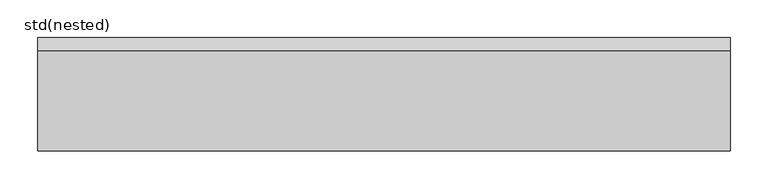
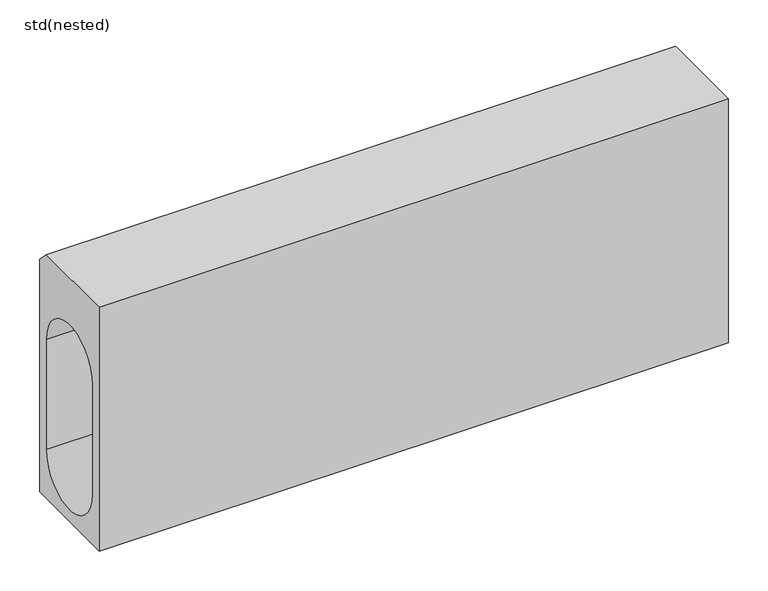
"""IFC4 building model written with IfcOpenShell, lengths in millimetres: sanitary terminal geometry, std(nested)."""

import ifcopenshell
import ifcopenshell.guid

model = None  # the IFC model being written
_history = None  # IfcOwnerHistory: only IFC2X3 demands one
_inside = {}  # id of a spatial element -> (the spatial element, [elements in it])
_under = {}  # id of a project, library or spatial element -> (it, [spatial elements below it])
_declared = {}  # id of a project -> (the project, [libraries it declares])
_typed = {}  # id of a type object -> (the type object, [elements of that type])
_made_of = {}  # id of a material, layer set ... -> (it, [elements and type objects made of it])


def new_model(schema):
    """Start an empty IFC model of exactly this schema.

    Asked for "IFC4X3", IfcOpenShell would pick the latest addendum, in which some entities
    have other attributes; the version numbers below select the first issue.
    IFC2X3 requires an IfcOwnerHistory on every rooted entity: one is made here for all.
    """
    global model, _history
    if schema == "IFC4X3":
        model = ifcopenshell.file(schema_version=(4, 3, 0, 0))
    else:
        model = ifcopenshell.file(schema=schema)
    _inside.clear()
    _under.clear()
    _declared.clear()
    _typed.clear()
    _made_of.clear()
    _history = None
    if model.schema == "IFC2X3":
        org = make("IfcOrganization", Name="unknown")
        user = make(
            "IfcPersonAndOrganization",
            ThePerson=make("IfcPerson", FamilyName="unknown"),
            TheOrganization=org,
        )
        app = make(
            "IfcApplication",
            ApplicationDeveloper=org,
            Version="unknown",
            ApplicationFullName="unknown",
            ApplicationIdentifier="unknown",
        )
        _history = make(
            "IfcOwnerHistory",
            OwningUser=user,
            OwningApplication=app,
            ChangeAction="ADDED",
            CreationDate=0,
        )
    return model


def make(cls, **values):
    """One entity of the class cls with the attributes given. An attribute that is None is left unset."""
    return model.create_entity(
        cls, **{name: value for name, value in values.items() if value is not None}
    )


def rooted(cls, **values):
    """An entity with a GlobalId (a new one), such as an element, a storey or a relation."""
    return make(cls, GlobalId=ifcopenshell.guid.new(), OwnerHistory=_history, **values)


def si_unit(unit_type, name, prefix=None):
    """IfcSIUnit, for example si_unit("LENGTHUNIT", "METRE", prefix="MILLI")."""
    return make("IfcSIUnit", UnitType=unit_type, Prefix=prefix, Name=name)


def assignment(units):
    """IfcUnitAssignment: the units of a project."""
    return None if units is None else make("IfcUnitAssignment", Units=units)


def point(xyz):
    """IfcCartesianPoint."""
    return None if xyz is None else make("IfcCartesianPoint", Coordinates=xyz)


def direction(xyz):
    """IfcDirection."""
    return None if xyz is None else make("IfcDirection", DirectionRatios=xyz)


def frame(location, z_axis=None, x_axis=None):
    """IfcAxis2Placement3D, a coordinate frame: its origin and axes. An axis left out is left unset."""
    return make(
        "IfcAxis2Placement3D",
        Location=point(location),
        Axis=direction(z_axis),
        RefDirection=direction(x_axis),
    )


def frame_2d(location, x_axis=None):
    """IfcAxis2Placement2D, a coordinate frame in the plane: its origin and x axis."""
    return make(
        "IfcAxis2Placement2D", Location=point(location), RefDirection=direction(x_axis)
    )


def origin():
    """The frame at (0, 0, 0) with its axes left unset."""
    return frame((0.0, 0.0, 0.0))


def place(relative_to, where):
    """IfcLocalPlacement: puts the frame where relative to a parent placement (None: the world)."""
    return make(
        "IfcLocalPlacement", PlacementRelTo=relative_to, RelativePlacement=where
    )


def context(
    kind, dimensions, precision=None, world=None, true_north=None, identifier=None
):
    """IfcGeometricRepresentationContext, for example the 3D "Model" context."""
    return make(
        "IfcGeometricRepresentationContext",
        ContextIdentifier=identifier,
        ContextType=kind,
        CoordinateSpaceDimension=dimensions,
        Precision=precision,
        WorldCoordinateSystem=world,
        TrueNorth=true_north,
    )


def project(units=None, contexts=None):
    """IfcProject with its units and contexts."""
    return rooted(
        "IfcProject",
        Name="project",
        RepresentationContexts=contexts,
        UnitsInContext=assignment(units),
    )


def spatial(cls, under=None, at=None, **own):
    """A site, building, storey or space (cls), placed at a placement, below another one or the project."""
    s = rooted(cls, ObjectPlacement=at, **own)
    if under is not None:
        _under.setdefault(under.id(), (under, []))[1].append(s)
    return s


def polyline(points):
    """IfcPolyline through the points."""
    return make("IfcPolyline", Points=[point(p) for p in points])


def circle_curve(where, radius):
    """IfcCircle in the frame where."""
    return make("IfcCircle", Position=where, Radius=radius)


def trimmed(basis, trim1, trim2, sense, master):
    """IfcTrimmedCurve: the piece of a basis curve between two trims."""
    return make(
        "IfcTrimmedCurve",
        BasisCurve=basis,
        Trim1=trim1,
        Trim2=trim2,
        SenseAgreement=sense,
        MasterRepresentation=master,
    )


def segment(curve, same_sense, transition):
    """IfcCompositeCurveSegment."""
    return make(
        "IfcCompositeCurveSegment",
        Transition=transition,
        SameSense=same_sense,
        ParentCurve=curve,
    )


def composite_curve(segments, self_intersect=None):
    """IfcCompositeCurve: segments joined end to end."""
    return make("IfcCompositeCurve", Segments=segments, SelfIntersect=self_intersect)


def outline(outer, holes=None, kind="AREA"):
    """IfcArbitraryClosedProfileDef: a profile drawn as a closed curve; with holes, ...WithVoids."""
    if holes is None:
        return make("IfcArbitraryClosedProfileDef", ProfileType=kind, OuterCurve=outer)
    return make(
        "IfcArbitraryProfileDefWithVoids",
        ProfileType=kind,
        OuterCurve=outer,
        InnerCurves=holes,
    )


def extrude(swept, where, along, depth):
    """IfcExtrudedAreaSolid: the profile swept, set in the frame where, extruded along a direction by depth."""
    return make(
        "IfcExtrudedAreaSolid",
        SweptArea=swept,
        Position=where,
        ExtrudedDirection=direction(along),
        Depth=depth,
    )


def shape(context_of_items, identifier, shape_type, items):
    """IfcShapeRepresentation: the items that make up one representation, for example the "Body"."""
    return make(
        "IfcShapeRepresentation",
        ContextOfItems=context_of_items,
        RepresentationIdentifier=identifier,
        RepresentationType=shape_type,
        Items=items,
    )


def source(mapping_origin, context_of_items, identifier, shape_type, items):
    """IfcRepresentationMap: a shape defined once, which mapped items show again and again."""
    return make(
        "IfcRepresentationMap",
        MappingOrigin=mapping_origin,
        MappedRepresentation=shape(context_of_items, identifier, shape_type, items),
    )


def transform(
    local_origin,
    x_axis=None,
    y_axis=None,
    z_axis=None,
    scale=None,
    scale2=None,
    scale3=None,
    uniform=True,
):
    """IfcCartesianTransformationOperator3D, or its non-uniform kind. x_axis, y_axis, z_axis: its Axis1, 2, 3."""
    if uniform:
        return make(
            "IfcCartesianTransformationOperator3D",
            Axis1=direction(x_axis),
            Axis2=direction(y_axis),
            LocalOrigin=point(local_origin),
            Scale=scale,
            Axis3=direction(z_axis),
        )
    return make(
        "IfcCartesianTransformationOperator3DnonUniform",
        Axis1=direction(x_axis),
        Axis2=direction(y_axis),
        LocalOrigin=point(local_origin),
        Scale=scale,
        Axis3=direction(z_axis),
        Scale2=scale2,
        Scale3=scale3,
    )


def mapped(mapping_source, mapping_target):
    """IfcMappedItem: shows the shape of a source again, moved by a transform."""
    return make(
        "IfcMappedItem", MappingSource=mapping_source, MappingTarget=mapping_target
    )


def made_of(thing, what):
    """Note that an element or type object is made of a material, layer set ...; save() writes the relation."""
    if what is not None:
        _made_of.setdefault(what.id(), (what, []))[1].append(thing)
    return thing


def element(
    cls,
    number,
    at=None,
    inside=None,
    cuts=None,
    type_object=None,
    material=None,
    context=None,
    identifier="Body",
    shape_type=None,
    held_by="IfcProductDefinitionShape",
    body=None,
    shapes=None,
    **own,
):
    """One element of the class cls, such as IfcWall. Its Tag is "e" and its number.

    at: its placement. inside: the storey or other place that contains it. cuts: it is an
    opening in that element (IfcRelVoidsElement). A single representation is given by context,
    identifier, shape_type and body (its items); several are given by shapes. held_by: the class
    of the entity that holds the representations. save() writes the other relations.
    """
    e = rooted(cls, Tag="e%d" % number, ObjectPlacement=at, **own)
    if body is not None:
        shapes = [shape(context, identifier, shape_type, body)]
    if shapes is not None:
        e.Representation = make(held_by, Representations=shapes)
    if inside is not None:
        _inside.setdefault(inside.id(), (inside, []))[1].append(e)
    if cuts is not None:
        rooted(
            "IfcRelVoidsElement", RelatingBuildingElement=cuts, RelatedOpeningElement=e
        )
    if type_object is not None:
        _typed.setdefault(type_object.id(), (type_object, []))[1].append(e)
    return made_of(e, material)


def aggregate(whole, parts):
    """IfcRelAggregates: a whole, such as a stair, and the parts it consists of."""
    return rooted("IfcRelAggregates", RelatingObject=whole, RelatedObjects=parts)


def save(model, path):
    """Write the relations noted so far, then the file.

    IfcRelAggregates (storeys below a building ...), IfcRelContainedInSpatialStructure (elements
    in a storey), IfcRelDefinesByType, IfcRelAssociatesMaterial and IfcRelDeclares: one each for
    every whole, place, type object, material and project.
    """
    for whole, parts in _under.values():
        aggregate(whole, parts)
    for where, things in _inside.values():
        rooted(
            "IfcRelContainedInSpatialStructure",
            RelatedElements=things,
            RelatingStructure=where,
        )
    for kind, things in _typed.values():
        rooted("IfcRelDefinesByType", RelatedObjects=things, RelatingType=kind)
    for what, things in _made_of.values():
        rooted("IfcRelAssociatesMaterial", RelatedObjects=things, RelatingMaterial=what)
    for by, libraries in _declared.values():
        rooted("IfcRelDeclares", RelatingContext=by, RelatedDefinitions=libraries)
    model.write(path)


def std_nested_1466e34a(model_context):
    return source(origin(), model_context, "Body", "SweptSolid", [
        extrude(outline(polyline([(-550.4923488, -375.0), (-550.4923488, 0.0), (-417.4906488, 0.0), (-400.4923488, -16.9983), (-400.4923488, -375.0), (-550.4923488, -375.0)]), holes=[composite_curve([segment(polyline([(-532.9923488, -130.0), (-532.9923488, -299.0)]), True, "CONTINUOUS"), segment(trimmed(circle_curve(frame_2d((-475.4923488, -299.0)), 57.5), [point((-532.9923488, -299.0))], [point((-417.9923488, -299.0))], True, "CARTESIAN"), True, "CONTINUOUS"), segment(polyline([(-417.9923488, -299.0), (-417.9923488, -130.0)]), True, "CONTINUOUS"), segment(trimmed(circle_curve(frame_2d((-475.4923488, -130.0)), 57.5), [point((-417.9923488, -130.0))], [point((-532.9923488, -130.0))], True, "CARTESIAN"), True, "CONTINUOUS")], self_intersect=False)]), frame((-752.8529257, 0.0, 0.0), z_axis=(1.0, 0.0, 0.0), x_axis=(0.0, 1.0, 0.0)), (0.0, 0.0, 1.0), 915.0),
    ])


if __name__ == "__main__":
    model = new_model("IFC4")
    model_context = context("Model", 3, world=origin())
    ifc_project = project(units=[si_unit("LENGTHUNIT", "METRE", prefix="MILLI")], contexts=[model_context])
    site = spatial("IfcSite", under=ifc_project)
    building = spatial("IfcBuilding", under=site)
    placement = place(None, origin())
    std_nested_shape = std_nested_1466e34a(model_context)
    element("IfcSanitaryTerminal", 1, ObjectType="std(nested)", at=placement, inside=building, context=model_context, shape_type="MappedRepresentation", body=[
        mapped(std_nested_shape, transform((0.0, 0.0, 0.0), x_axis=(1.0, 0.0, 0.0), y_axis=(0.0, 1.0, 0.0), z_axis=(0.0, 0.0, 1.0))),
    ])
    save(model, "model.ifc")
